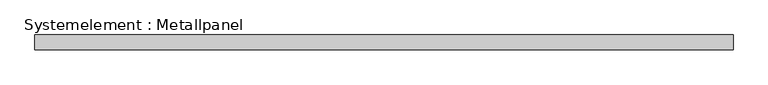
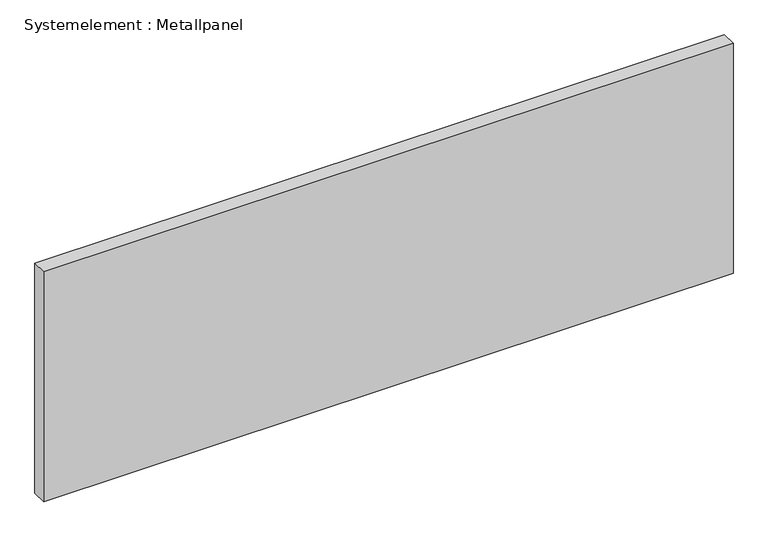
"""IFC4 building model written with IfcOpenShell, lengths in millimetres: plate geometry, Systemelement : Metallpanel."""

from ifc_helpers import new_model, si_unit, origin, origin_with_axes, place, context, project, spatial, polyline, outline, extrude, source, transform, mapped, element, save


def systemelement_metallpanel_3ef4e6b3(model_context):
    return source(origin(), model_context, "Body", "SweptSolid", [
        extrude(outline(polyline([(694.8201191, -15.0), (-694.8201191, -15.0), (-694.8201191, 15.0), (694.8201191, 15.0), (694.8201191, -15.0)])), origin_with_axes(), (0.0, 0.0, 1.0), 490.0),
    ])


if __name__ == "__main__":
    model = new_model("IFC4")
    model_context = context("Model", 3, world=origin())
    ifc_project = project(units=[si_unit("LENGTHUNIT", "METRE", prefix="MILLI")], contexts=[model_context])
    site = spatial("IfcSite", under=ifc_project)
    building = spatial("IfcBuilding", under=site)
    placement = place(None, origin())
    systemelement_metallpanel_shape = systemelement_metallpanel_3ef4e6b3(model_context)
    element("IfcPlate", 1, ObjectType="Systemelement : Metallpanel", at=placement, inside=building, context=model_context, shape_type="MappedRepresentation", body=[
        mapped(systemelement_metallpanel_shape, transform((0.0, 0.0, 0.0), x_axis=(1.0, 0.0, 0.0), y_axis=(0.0, 1.0, 0.0), z_axis=(0.0, 0.0, 1.0))),
    ])
    save(model, "model.ifc")
